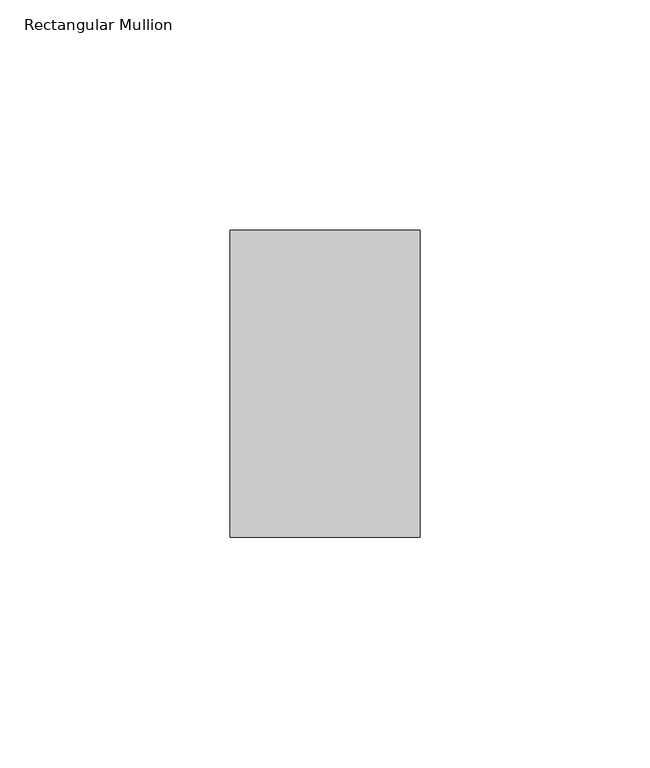
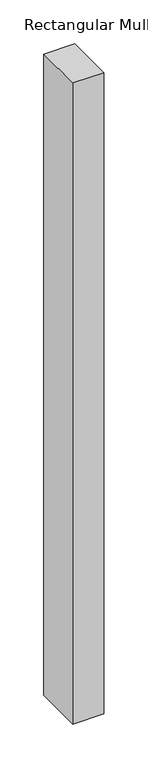
"""IFC4 building model written with IfcOpenShell, lengths in millimetres: member geometry, Rectangular Mullion."""

from ifc_helpers import new_model, si_unit, frame, origin, place, context, project, spatial, polyline, outline, extrude, source, transform, mapped, element, save


def rectangular_mullion_7a14028d(model_context):
    return source(origin(), model_context, "Body", "SweptSolid", [
        extrude(outline(polyline([(0.0, 33.3375), (0.0, -33.3375), (-41.275, -33.3375), (-41.275, 33.3375), (0.0, 33.3375)])), frame((0.0, 0.0, -896.62), z_axis=(0.0, 0.0, 1.0), x_axis=(1.0, 0.0, 0.0)), (0.0, 0.0, 1.0), 896.62),
    ])


if __name__ == "__main__":
    model = new_model("IFC4")
    model_context = context("Model", 3, world=origin())
    ifc_project = project(units=[si_unit("LENGTHUNIT", "METRE", prefix="MILLI")], contexts=[model_context])
    site = spatial("IfcSite", under=ifc_project)
    building = spatial("IfcBuilding", under=site)
    placement = place(None, origin())
    rectangular_mullion_shape = rectangular_mullion_7a14028d(model_context)
    element("IfcMember", 1, ObjectType="Rectangular Mullion", at=placement, inside=building, context=model_context, shape_type="MappedRepresentation", body=[
        mapped(rectangular_mullion_shape, transform((0.0, 0.0, 0.0), x_axis=(1.0, 0.0, 0.0), y_axis=(0.0, 1.0, 0.0), z_axis=(0.0, 0.0, 1.0))),
    ])
    save(model, "model.ifc")
